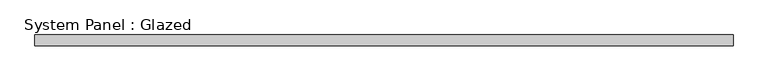
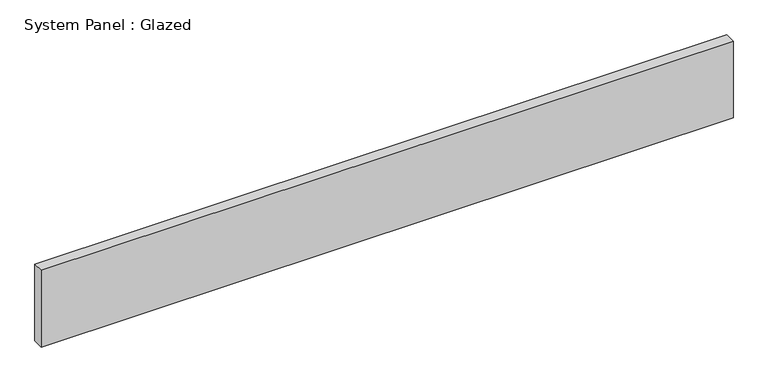
"""IFC4 building model written with IfcOpenShell, lengths in millimetres: plate geometry, System Panel : Glazed."""

from ifc_helpers import new_model, si_unit, origin, origin_with_axes, place, context, project, spatial, polyline, outline, extrude, source, transform, mapped, element, save


def system_panel_glazed_4bc35823(model_context):
    return source(origin(), model_context, "Body", "SweptSolid", [
        extrude(outline(polyline([(809.0980762, -37.5), (-809.0980762, -37.5), (-809.0980762, -12.5), (809.0980762, -12.5), (809.0980762, -37.5)])), origin_with_axes(), (0.0, 0.0, 1.0), 190.0),
    ])


if __name__ == "__main__":
    model = new_model("IFC4")
    model_context = context("Model", 3, world=origin())
    ifc_project = project(units=[si_unit("LENGTHUNIT", "METRE", prefix="MILLI")], contexts=[model_context])
    site = spatial("IfcSite", under=ifc_project)
    building = spatial("IfcBuilding", under=site)
    placement = place(None, origin())
    system_panel_glazed_shape = system_panel_glazed_4bc35823(model_context)
    element("IfcPlate", 1, ObjectType="System Panel : Glazed", at=placement, inside=building, context=model_context, shape_type="MappedRepresentation", body=[
        mapped(system_panel_glazed_shape, transform((0.0, 0.0, 0.0), x_axis=(1.0, 0.0, 0.0), y_axis=(0.0, 1.0, 0.0), z_axis=(0.0, 0.0, 1.0))),
    ])
    save(model, "model.ifc")
